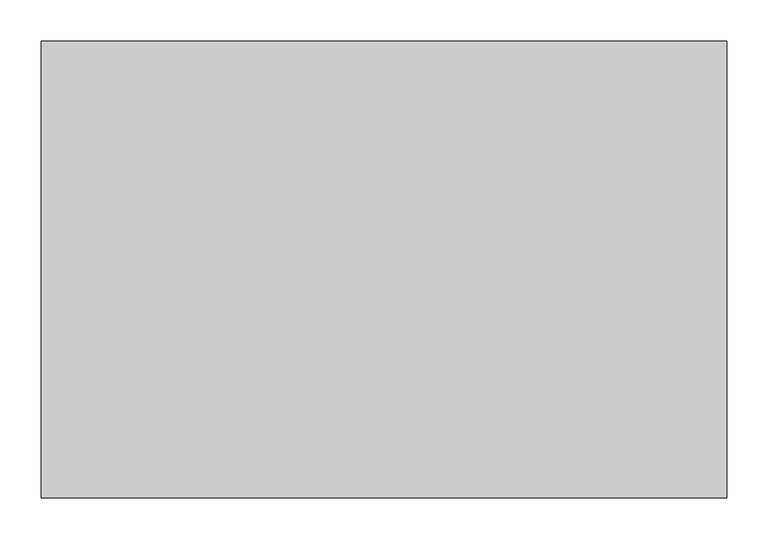
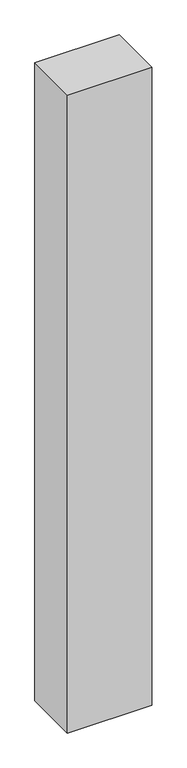
"""IFC4 building model written with IfcOpenShell, lengths in millimetres: proxy geometry."""

from ifc_helpers import new_model, si_unit, origin, origin_with_axes, place, context, project, spatial, polyline, outline, extrude, source, transform, mapped, element, save


def generic_models_8150e3aa(model_context):
    return source(origin(), model_context, "Body", "SweptSolid", [
        extrude(outline(polyline([(835.0547028, 556.7031352), (835.0547028, 0.0), (0.0, 0.0), (0.0, 556.7031352), (835.0547028, 556.7031352)])), origin_with_axes(), (0.0, 0.0, 1.0), 6680.4376226),
    ])


if __name__ == "__main__":
    model = new_model("IFC4")
    model_context = context("Model", 3, world=origin())
    ifc_project = project(units=[si_unit("LENGTHUNIT", "METRE", prefix="MILLI")], contexts=[model_context])
    site = spatial("IfcSite", under=ifc_project)
    building = spatial("IfcBuilding", under=site)
    placement = place(None, origin())
    generic_models_shape = generic_models_8150e3aa(model_context)
    element("IfcBuildingElementProxy", 1, Name="Generic Models", at=placement, inside=building, context=model_context, shape_type="MappedRepresentation", body=[
        mapped(generic_models_shape, transform((0.0, 0.0, 0.0), x_axis=(1.0, 0.0, 0.0), y_axis=(0.0, 1.0, 0.0), z_axis=(0.0, 0.0, 1.0))),
    ])
    save(model, "model.ifc")
